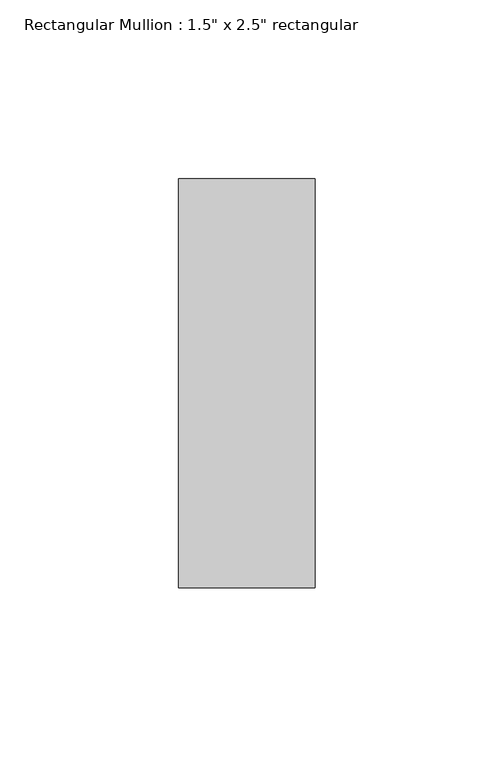
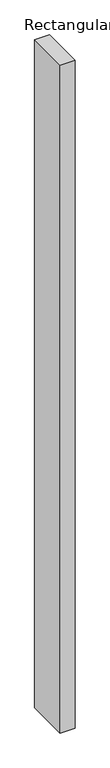
"""IFC4 building model written with IfcOpenShell, lengths in millimetres: member geometry."""

from ifc_helpers import new_model, si_unit, frame, origin, place, context, project, spatial, polyline, outline, extrude, source, transform, mapped, element, save


def member_8d994716(model_context):
    return source(origin(), model_context, "Body", "SweptSolid", [
        extrude(outline(polyline([(19.05, 57.15), (19.05, -57.15), (-19.05, -57.15), (-19.05, 57.15), (19.05, 57.15)])), frame((0.0, 0.0, -1828.8), z_axis=(0.0, 0.0, 1.0), x_axis=(1.0, 0.0, 0.0)), (0.0, 0.0, 1.0), 1828.8),
    ])


if __name__ == "__main__":
    model = new_model("IFC4")
    model_context = context("Model", 3, world=origin())
    ifc_project = project(units=[si_unit("LENGTHUNIT", "METRE", prefix="MILLI")], contexts=[model_context])
    site = spatial("IfcSite", under=ifc_project)
    building = spatial("IfcBuilding", under=site)
    placement = place(None, origin())
    member_shape = member_8d994716(model_context)
    element("IfcMember", 1, ObjectType="Rectangular Mullion : 1.5\" x 2.5\" rectangular", at=placement, inside=building, context=model_context, shape_type="MappedRepresentation", body=[
        mapped(member_shape, transform((0.0, 0.0, 0.0), x_axis=(1.0, 0.0, 0.0), y_axis=(0.0, 1.0, 0.0), z_axis=(0.0, 0.0, 1.0))),
    ])
    save(model, "model.ifc")
